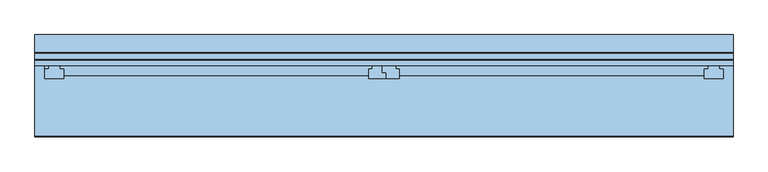
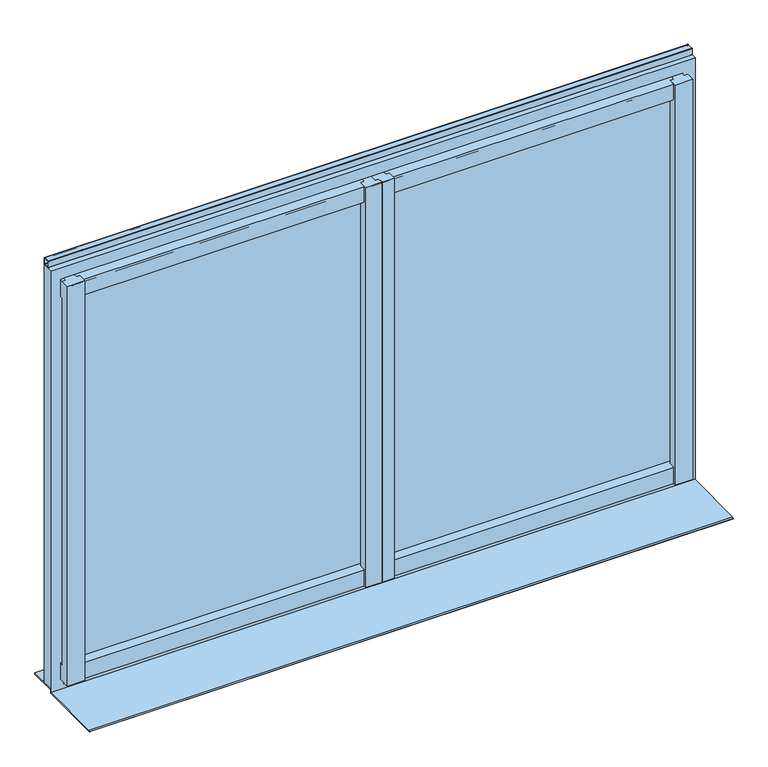
"""IFC4 building model written with IfcOpenShell, lengths in millimetres: window geometry."""

from ifc_helpers import new_model, si_unit, point, frame, frame_2d, origin, place, context, project, spatial, polyline, circle_curve, trimmed, segment, composite_curve, outline, extrude, faceted_brep, source, transform, mapped, element, save


def window_bdcc389a(model_context):
    return source(origin(), model_context, "Body", "SolidModel", [
        extrude(outline(composite_curve([segment(polyline([(-4968.9639151, 5209.32), (-4950.9639151, 5209.32)]), True, "CONTINUOUS"), segment(trimmed(circle_curve(frame_2d((-4950.9639151, 5208.32)), 1.0), [point((-4950.9639151, 5209.32))], [point((-4949.9639151, 5208.32))], False, "CARTESIAN"), True, "CONTINUOUS"), segment(polyline([(-4949.9639151, 5208.32), (-4949.9639151, 5190.32)]), True, "CONTINUOUS"), segment(trimmed(circle_curve(frame_2d((-4950.9639151, 5190.32)), 1.0), [point((-4949.9639151, 5190.32))], [point((-4950.9639151, 5189.32))], False, "CARTESIAN"), True, "CONTINUOUS"), segment(polyline([(-4950.9639151, 5189.32), (-4968.9639151, 5189.32)]), True, "CONTINUOUS"), segment(trimmed(circle_curve(frame_2d((-4968.9639151, 5190.32)), 1.0), [point((-4968.9639151, 5189.32))], [point((-4969.9639151, 5190.32))], False, "CARTESIAN"), True, "CONTINUOUS"), segment(polyline([(-4969.9639151, 5190.32), (-4969.9639151, 5208.32)]), True, "CONTINUOUS"), segment(trimmed(circle_curve(frame_2d((-4968.9639151, 5208.32)), 1.0), [point((-4969.9639151, 5208.32))], [point((-4968.9639151, 5209.32))], False, "CARTESIAN"), True, "CONTINUOUS")], self_intersect=False), holes=[composite_curve([segment(trimmed(circle_curve(frame_2d((-4966.9639151, 5206.32)), 1.0), [point((-4966.9639151, 5207.32))], [point((-4967.9639151, 5206.32))], True, "CARTESIAN"), True, "CONTINUOUS"), segment(polyline([(-4967.9639151, 5206.32), (-4967.9639151, 5192.32)]), True, "CONTINUOUS"), segment(trimmed(circle_curve(frame_2d((-4966.9639151, 5192.32)), 1.0), [point((-4967.9639151, 5192.32))], [point((-4966.9639151, 5191.32))], True, "CARTESIAN"), True, "CONTINUOUS"), segment(polyline([(-4966.9639151, 5191.32), (-4952.9639151, 5191.32)]), True, "CONTINUOUS"), segment(trimmed(circle_curve(frame_2d((-4952.9639151, 5192.32)), 1.0), [point((-4952.9639151, 5191.32))], [point((-4951.9639151, 5192.32))], True, "CARTESIAN"), True, "CONTINUOUS"), segment(polyline([(-4951.9639151, 5192.32), (-4951.9639151, 5206.32)]), True, "CONTINUOUS"), segment(trimmed(circle_curve(frame_2d((-4952.9639151, 5206.32)), 1.0), [point((-4951.9639151, 5206.32))], [point((-4952.9639151, 5207.32))], True, "CARTESIAN"), True, "CONTINUOUS"), segment(polyline([(-4952.9639151, 5207.32), (-4966.9639151, 5207.32)]), True, "CONTINUOUS")], self_intersect=False)]), frame((-8418.7514271, 0.0, 0.0), z_axis=(1.0, 0.0, 0.0), x_axis=(0.0, 1.0, 0.0)), (0.0, 0.0, 1.0), 1840.0),
        faceted_brep([(-8392.7514271, -4969.9639151, 5164.32), (-8392.7514271, -4980.9639151, 5164.32), (-6614.7514271, -4980.9639151, 5164.32), (-6614.7514271, -4969.9639151, 5164.32), (-8392.7514271, -4980.9639151, 5154.32), (-8382.7514271, -4980.9639151, 5154.32), (-8352.7514271, -4980.9639151, 5154.32), (-7529.2514271, -4980.9639151, 5154.32), (-7504.2514271, -4980.9639151, 5154.32), (-7503.2514271, -4980.9639151, 5154.32), (-7468.2514271, -4980.9639151, 5154.32), (-6644.7514271, -4980.9639151, 5154.32), (-6614.7514271, -4980.9639151, 5154.32), (-8392.7514271, -4993.9639151, 5152.9751724), (-8382.7514271, -4993.9639151, 5152.9751724), (-8352.7514271, -4993.9381503, 5152.9778377), (-8342.7514271, -4993.9381503, 5152.9778377), (-8342.7514271, -5009.9639151, 5151.32), (-7539.2514271, -5009.9639151, 5151.32), (-7539.2514271, -4993.9381503, 5152.9778377), (-7529.2514271, -4993.9381503, 5152.9778377), (-7504.2514271, -5003.9381503, 5151.943355), (-7494.2514271, -5003.9381503, 5151.943355), (-7494.2514271, -5009.9639151, 5151.32), (-7493.2514271, -5009.9639151, 5151.32), (-7493.2514271, -5002.9123855, 5152.0494686), (-7503.2514271, -5002.9123855, 5152.0494686), (-7468.2514271, -4993.9381503, 5152.9778377), (-7458.2514271, -4993.9381503, 5152.9778377), (-7458.2514271, -5009.9639151, 5151.32), (-6654.7514271, -5009.9639151, 5151.32), (-6654.7514271, -4993.9381503, 5152.9778377), (-6644.7514271, -4993.9381503, 5152.9778377), (-7458.2514271, -5009.9639151, 5104.32), (-6654.7514271, -5009.9639151, 5104.32), (-7494.2514271, -5009.9639151, 5104.32), (-7493.2514271, -5009.9639151, 5104.32), (-8342.7514271, -5009.9639151, 5104.32), (-7539.2514271, -5009.9639151, 5104.32), (-8392.7514271, -4993.9639151, 5104.32), (-8392.7514271, -4983.9639151, 5104.32), (-8382.7514271, -4983.9639151, 5104.32), (-8382.7514271, -4993.9639151, 5104.32), (-7458.2514271, -4993.9381503, 5104.32), (-7468.2514271, -4993.9381503, 5104.32), (-7468.2514271, -4983.9639151, 5104.32), (-6644.7514271, -4983.9639151, 5104.32), (-6644.7514271, -4993.9381503, 5104.32), (-6654.7514271, -4993.9381503, 5104.32), (-7494.2514271, -5003.9381503, 5104.32), (-7504.2514271, -5003.9381503, 5104.32), (-7504.2514271, -4983.9639151, 5104.32), (-7503.2514271, -4983.9639151, 5104.32), (-7503.2514271, -5002.9123855, 5104.32), (-7493.2514271, -5002.9123855, 5104.32), (-8342.7514271, -4993.9381503, 5104.32), (-8352.7514271, -4993.9381503, 5104.32), (-8352.7514271, -4983.9639151, 5104.32), (-7529.2514271, -4983.9639151, 5104.32), (-7529.2514271, -4993.9381503, 5104.32), (-7539.2514271, -4993.9381503, 5104.32), (-8392.7514271, -4983.9639151, 5114.32), (-8382.7514271, -4983.9639151, 5114.32), (-7468.2514271, -4983.9639151, 5114.32), (-6644.7514271, -4983.9639151, 5114.32), (-7504.2514271, -4983.9639151, 5114.32), (-7503.2514271, -4983.9639151, 5114.32), (-8352.7514271, -4983.9639151, 5114.32), (-7529.2514271, -4983.9639151, 5114.32), (-8392.7514271, -4969.9639151, 5114.32), (-6614.7514271, -4969.9639151, 5114.32), (-6614.7514271, -4978.9639151, 5114.32), (-6644.7514271, -4978.9639151, 5114.32), (-7468.2514271, -4978.9639151, 5114.32), (-7503.2514271, -4978.9639151, 5114.32), (-7504.2514271, -4978.9639151, 5114.32), (-7529.2514271, -4978.9639151, 5114.32), (-8352.7514271, -4978.9639151, 5114.32), (-8382.7514271, -4978.9639151, 5114.32), (-8392.7514271, -4983.9639151, 3994.7393506), (-8392.7514271, -4993.9639151, 3993.9701198), (-8382.7514271, -4993.9639151, 3993.9701198), (-8382.7514271, -4983.9639151, 3994.7393506), (-6644.7514271, -4983.9639151, 3994.7393506), (-7468.2514271, -4983.9639151, 3994.7393506), (-7468.2514271, -4993.9381503, 3993.9721017), (-7458.2514271, -4993.9381503, 3993.9721017), (-7458.2514271, -5009.9639151, 3992.7393506), (-6654.7514271, -5009.9639151, 3992.7393506), (-6654.7514271, -4993.9381503, 3993.9721017), (-6644.7514271, -4993.9381503, 3993.9721017), (-7503.2514271, -4983.9639151, 3994.7393506), (-7504.2514271, -4983.9639151, 3994.7393506), (-7504.2514271, -5003.9381503, 3993.2028709), (-7494.2514271, -5003.9381503, 3993.2028709), (-7494.2514271, -5009.9639151, 3992.7393506), (-7493.2514271, -5009.9639151, 3992.7393506), (-7493.2514271, -5002.9123855, 3993.2817759), (-7503.2514271, -5002.9123855, 3993.2817759), (-7529.2514271, -4983.9639151, 3994.7393506), (-8352.7514271, -4983.9639151, 3994.7393506), (-8352.7514271, -4993.9381503, 3993.9721017), (-8342.7514271, -4993.9381503, 3993.9721017), (-8342.7514271, -5009.9639151, 3992.7393506), (-7539.2514271, -5009.9639151, 3992.7393506), (-7539.2514271, -4993.9381503, 3993.9721017), (-7529.2514271, -4993.9381503, 3993.9721017), (-7458.2514271, -5009.9639151, 3944.7393506), (-6654.7514271, -5009.9639151, 3944.7393506), (-7494.2514271, -5009.9639151, 3944.7393506), (-7493.2514271, -5009.9639151, 3944.7393506), (-8342.7514271, -5009.9639151, 3944.7393506), (-7539.2514271, -5009.9639151, 3944.7393506), (-8392.7514271, -4984.9639151, 3944.7393506), (-8392.7514271, -4984.9639151, 3954.7393506), (-8382.7514271, -4984.9639151, 3954.7393506), (-8382.7514271, -4984.9639151, 3944.7393506), (-7529.2514271, -4984.9639151, 3944.7393506), (-8352.7514271, -4984.9639151, 3944.7393506), (-8352.7514271, -4984.9639151, 3954.7393506), (-7529.2514271, -4984.9639151, 3954.7393506), (-7503.2514271, -4984.9639151, 3944.7393506), (-7504.2514271, -4984.9639151, 3944.7393506), (-7504.2514271, -4984.9639151, 3954.7393506), (-7503.2514271, -4984.9639151, 3954.7393506), (-6644.7514271, -4984.9639151, 3944.7393506), (-7468.2514271, -4984.9639151, 3944.7393506), (-7468.2514271, -4984.9639151, 3954.7393506), (-6644.7514271, -4984.9639151, 3954.7393506), (-8392.7514271, -4969.9639151, 3954.7393506), (-6614.7514271, -4969.9639151, 3954.7393506), (-6614.7514271, -4978.9639151, 3954.7393506), (-6644.7514271, -4978.9639151, 3954.7393506), (-7468.2514271, -4978.9639151, 3954.7393506), (-7503.2514271, -4978.9639151, 3954.7393506), (-7504.2514271, -4978.9639151, 3954.7393506), (-7529.2514271, -4978.9639151, 3954.7393506), (-8352.7514271, -4978.9639151, 3954.7393506), (-8382.7514271, -4978.9639151, 3954.7393506), (-8392.7514271, -4969.9639151, 3984.7393506), (-6614.7514271, -4969.9639151, 3984.7393506), (-8392.7514271, -4983.9639151, 3984.7393506), (-8382.7514271, -4983.9639151, 3984.7393506), (-8382.7514271, -4978.9639151, 3984.7393506), (-8352.7514271, -4978.9639151, 3984.7393506), (-8352.7514271, -4983.9639151, 3984.7393506), (-7529.2514271, -4983.9639151, 3984.7393506), (-7529.2514271, -4978.9639151, 3984.7393506), (-7504.2514271, -4978.9639151, 3984.7393506), (-7504.2514271, -4983.9639151, 3984.7393506), (-7503.2514271, -4983.9639151, 3984.7393506), (-7503.2514271, -4978.9639151, 3984.7393506), (-7468.2514271, -4978.9639151, 3984.7393506), (-7468.2514271, -4983.9639151, 3984.7393506), (-6644.7514271, -4983.9639151, 3984.7393506), (-6644.7514271, -4978.9639151, 3984.7393506), (-6614.7514271, -4978.9639151, 3984.7393506), (-6604.7514271, -4993.9639151, 5154.32), (-6614.7514271, -4993.9639151, 5154.32), (-6644.7514271, -4993.9381503, 5154.32), (-6654.7514271, -4993.9381503, 5154.32), (-6654.7514271, -5018.9639151, 5154.32), (-6604.7514271, -5018.9639151, 5154.32), (-7503.2514271, -5002.9123855, 5154.32), (-7493.2514271, -5002.9123855, 5154.32), (-7493.2514271, -5018.9639151, 5154.32), (-7458.2514271, -5018.9639151, 5154.32), (-7458.2514271, -4993.9381503, 5154.32), (-7468.2514271, -4993.9381503, 5154.32), (-7494.2514271, -5018.9639151, 5154.32), (-7494.2514271, -5003.9381503, 5154.32), (-7504.2514271, -5003.9381503, 5154.32), (-7529.2514271, -4993.9381503, 5154.32), (-7539.2514271, -4993.9381503, 5154.32), (-7539.2514271, -5018.9639151, 5154.32), (-8392.7514271, -4993.9639151, 5154.32), (-8392.7514271, -5018.9639151, 5154.32), (-8342.7514271, -5018.9639151, 5154.32), (-8342.7514271, -4993.9381503, 5154.32), (-8352.7514271, -4993.9381503, 5154.32), (-8382.7514271, -4993.9639151, 5154.32), (-6604.7514271, -4993.9639151, 3944.7393506), (-6604.7514271, -5018.9639151, 3944.7393506), (-6654.7514271, -5018.9639151, 3944.7393506), (-7458.2514271, -5018.9639151, 3944.7393506), (-7493.2514271, -5018.9639151, 3944.7393506), (-7494.2514271, -5018.9639151, 3944.7393506), (-7539.2514271, -5018.9639151, 3944.7393506), (-8342.7514271, -5018.9639151, 3944.7393506), (-8392.7514271, -5018.9639151, 3944.7393506), (-8382.7514271, -4978.9639151, 3944.7393506), (-8352.7514271, -4978.9639151, 3944.7393506), (-7529.2514271, -4978.9639151, 3944.7393506), (-7504.2514271, -4978.9639151, 3944.7393506), (-7503.2514271, -4978.9639151, 3944.7393506), (-7468.2514271, -4978.9639151, 3944.7393506), (-6644.7514271, -4978.9639151, 3944.7393506), (-6614.7514271, -4978.9639151, 3944.7393506), (-6614.7514271, -4993.9639151, 3944.7393506)], [[[0, 1, 2, 3]], [[1, 4, 5, 6, 7, 8, 9, 10, 11, 12, 2]], [[5, 4, 13, 14]], [[7, 6, 15, 16, 17, 18, 19, 20]], [[9, 8, 21, 22, 23, 24, 25, 26]], [[11, 10, 27, 28, 29, 30, 31, 32]], [[30, 29, 33, 34]], [[24, 23, 35, 36]], [[18, 17, 37, 38]], [[39, 40, 41, 42]], [[34, 33, 43, 44, 45, 46, 47, 48]], [[36, 35, 49, 50, 51, 52, 53, 54]], [[38, 37, 55, 56, 57, 58, 59, 60]], [[40, 61, 62, 41]], [[46, 45, 63, 64]], [[52, 51, 65, 66]], [[58, 57, 67, 68]], [[61, 69, 70, 71, 72, 64, 63, 73, 74, 66, 65, 75, 76, 68, 67, 77, 78, 62]], [[69, 0, 3, 70]], [[79, 80, 81, 82]], [[83, 84, 85, 86, 87, 88, 89, 90]], [[91, 92, 93, 94, 95, 96, 97, 98]], [[99, 100, 101, 102, 103, 104, 105, 106]], [[107, 108, 88, 87]], [[109, 110, 96, 95]], [[111, 112, 104, 103]], [[113, 114, 115, 116]], [[117, 118, 119, 120]], [[121, 122, 123, 124]], [[125, 126, 127, 128]], [[114, 129, 130, 131, 132, 128, 127, 133, 134, 124, 123, 135, 136, 120, 119, 137, 138, 115]], [[129, 139, 140, 130]], [[139, 141, 142, 143, 144, 145, 146, 147, 148, 149, 150, 151, 152, 153, 154, 155, 156, 140]], [[141, 79, 82, 142]], [[84, 83, 154, 153]], [[92, 91, 150, 149]], [[100, 99, 146, 145]], [[157, 158, 12, 11, 159, 160, 161, 162]], [[163, 164, 165, 166, 167, 168, 10, 9]], [[169, 170, 171, 8, 7, 172, 173, 174]], [[175, 176, 177, 178, 179, 6, 5, 180]], [[181, 182, 183, 108, 107, 184, 185, 110, 109, 186, 187, 112, 111, 188, 189, 113, 116, 190, 191, 118, 117, 192, 193, 122, 121, 194, 195, 126, 125, 196, 197, 198]], [[198, 158, 157, 181]], [[12, 158, 198, 197, 131, 130, 140, 156, 71, 70, 3, 2]], [[197, 196, 132, 131]], [[71, 156, 155, 72]], [[159, 11, 32]], [[196, 125, 128, 132]], [[72, 155, 154, 83, 90, 47, 46, 64]], [[160, 159, 32, 31]], [[47, 90, 89, 48]], [[161, 160, 31, 30, 34, 48, 89, 88, 108, 183]], [[162, 161, 183, 182]], [[157, 162, 182, 181]], [[195, 194, 134, 133]], [[73, 152, 151, 74]], [[163, 9, 26]], [[194, 121, 124, 134]], [[74, 151, 150, 91, 98, 53, 52, 66]], [[164, 163, 26, 25]], [[53, 98, 97, 54]], [[165, 164, 25, 24, 36, 54, 97, 96, 110, 185]], [[166, 165, 185, 184]], [[167, 166, 184, 107, 87, 86, 43, 33, 29, 28]], [[168, 167, 28, 27]], [[43, 86, 85, 44]], [[10, 168, 27]], [[126, 195, 133, 127]], [[152, 73, 63, 45, 44, 85, 84, 153]], [[170, 169, 186, 109, 95, 94, 49, 35, 23, 22]], [[171, 170, 22, 21]], [[49, 94, 93, 50]], [[8, 171, 21]], [[122, 193, 135, 123]], [[50, 93, 92, 149, 148, 75, 65, 51]], [[193, 192, 136, 135]], [[75, 148, 147, 76]], [[172, 7, 20]], [[192, 117, 120, 136]], [[76, 147, 146, 99, 106, 59, 58, 68]], [[173, 172, 20, 19]], [[59, 106, 105, 60]], [[174, 173, 19, 18, 38, 60, 105, 104, 112, 187]], [[169, 174, 187, 186]], [[176, 175, 13, 4, 1, 0, 69, 61, 40, 39, 80, 79, 141, 139, 129, 114, 113, 189]], [[177, 176, 189, 188]], [[178, 177, 188, 111, 103, 102, 55, 37, 17, 16]], [[179, 178, 16, 15]], [[55, 102, 101, 56]], [[6, 179, 15]], [[118, 191, 137, 119]], [[56, 101, 100, 145, 144, 77, 67, 57]], [[191, 190, 138, 137]], [[77, 144, 143, 78]], [[180, 5, 14]], [[190, 116, 115, 138]], [[78, 143, 142, 82, 81, 42, 41, 62]], [[175, 180, 14, 13]], [[80, 39, 42, 81]]]),
        faceted_brep([(-6613.7514271, -4984.4639151, 5154.82), (-8383.7514271, -4984.4639151, 5154.82), (-8383.7514271, -4981.9639151, 5154.82), (-8415.7514271, -4981.9639151, 5154.82), (-8415.7514271, -4981.4639151, 5154.82), (-6581.7514271, -4981.4639151, 5154.82), (-6581.7514271, -4981.9639151, 5154.82), (-6613.7514271, -4981.9639151, 5154.82), (-8415.7514271, -4981.4639151, 5186.32), (-6581.7514271, -4981.4639151, 5186.32), (-8415.7514271, -4949.9639151, 5186.32), (-6581.7514271, -4949.9639151, 5186.32), (-6578.7514271, -4949.9639151, 5189.32), (-8418.7514271, -4949.9639151, 5189.32), (-8418.7514271, -4984.4639151, 5189.32), (-6578.7514271, -4984.4639151, 5189.32), (-8383.7514271, -4984.4639151, 3927.7393506), (-8383.7514271, -4981.9639151, 3927.7393506), (-8415.7514271, -4981.9639151, 3927.7393506), (-8415.7514271, -4974.9639151, 3954.2393506), (-8415.7514271, -4952.9639151, 3954.2393506), (-8415.7514271, -4952.9639151, 3959.2393506), (-8415.7514271, -4949.9639151, 3959.2393506), (-8415.7514271, -4952.9639151, 3927.7393506), (-8415.7514271, -4952.9639151, 3951.2393506), (-8415.7514271, -4974.9639151, 3951.2393506), (-6581.7514271, -4952.9639151, 3954.2393506), (-6581.7514271, -4974.9639151, 3954.2393506), (-6581.7514271, -4974.9639151, 3951.2393506), (-6581.7514271, -4952.9639151, 3951.2393506), (-6581.7514271, -4952.9639151, 3927.7393506), (-6581.7514271, -4981.9639151, 3927.7393506), (-6581.7514271, -4949.9639151, 3959.2393506), (-6581.7514271, -4952.9639151, 3959.2393506), (-6613.7514271, -4981.9639151, 3927.7393506), (-6613.7514271, -4984.4639151, 3927.7393506), (-8418.7514271, -4949.9639151, 3924.5631649), (-8418.7514271, -4981.4639151, 3924.5631649), (-8418.7514271, -4981.4639151, 3915.2207232), (-8418.7514271, -4984.4639151, 3915.1907232), (-6578.7514271, -4984.4639151, 3915.1907232), (-6578.7514271, -4981.4639151, 3915.2207232), (-6578.7514271, -4981.4639151, 3924.5631649), (-6578.7514271, -4949.9639151, 3924.5631649)], [[[0, 1, 2, 3, 4, 5, 6, 7]], [[5, 4, 8, 9]], [[10, 11, 9, 8]], [[12, 13, 14, 15]], [[16, 17, 2, 1]], [[17, 18, 3, 2]], [[19, 20, 21, 22, 10, 8, 4, 3, 18, 23, 24, 25]], [[26, 27, 28, 29, 30, 31, 6, 5, 9, 11, 32, 33]], [[31, 34, 7, 6]], [[34, 35, 0, 7]], [[13, 36, 37, 38, 39, 14]], [[15, 40, 41, 42, 43, 12]], [[26, 20, 19, 27]], [[27, 19, 25, 28]], [[28, 25, 24, 29]], [[29, 24, 23, 30]], [[30, 23, 18, 17, 16, 35, 34, 31]], [[39, 40, 15, 14], [16, 1, 0, 35]], [[39, 38, 41, 40]], [[38, 37, 42, 41]], [[37, 36, 43, 42]], [[43, 36, 13, 12], [32, 11, 10, 22]], [[32, 22, 21, 33]], [[20, 26, 33, 21]]]),
        extrude(outline(composite_curve([segment(polyline([(-4979.9639151, 3984.7393506), (-4979.9639151, 3994.7393506), (-4971.9629757, 3994.7393506)]), True, "CONTINUOUS"), segment(trimmed(circle_curve(frame_2d((-4971.9629757, 3992.7393506)), 2.0), [point((-4971.9629757, 3994.7393506))], [point((-4969.9639151, 3992.6780575))], False, "CARTESIAN"), True, "CONTINUOUS"), segment(polyline([(-4969.9639151, 3992.6780575), (-4969.9639151, 3986.6780575)]), True, "CONTINUOUS"), segment(trimmed(circle_curve(frame_2d((-4971.9629757, 3986.7393506)), 2.0), [point((-4969.9639151, 3986.6780575))], [point((-4971.9629757, 3984.7393506))], False, "CARTESIAN"), True, "CONTINUOUS"), segment(polyline([(-4971.9629757, 3984.7393506), (-4979.9639151, 3984.7393506)]), True, "CONTINUOUS")], self_intersect=False)), frame((-8352.7514271, 0.0, 0.0), z_axis=(1.0, 0.0, 0.0), x_axis=(0.0, 1.0, 0.0)), (0.0, 0.0, 1.0), 1708.0),
        extrude(outline(composite_curve([segment(polyline([(-4979.9639151, 5114.32), (-4971.9629757, 5114.32)]), True, "CONTINUOUS"), segment(trimmed(circle_curve(frame_2d((-4971.9629757, 5112.32)), 2.0), [point((-4971.9629757, 5114.32))], [point((-4969.9639151, 5112.3812931))], False, "CARTESIAN"), True, "CONTINUOUS"), segment(polyline([(-4969.9639151, 5112.3812931), (-4969.9639151, 5106.3812931)]), True, "CONTINUOUS"), segment(trimmed(circle_curve(frame_2d((-4971.9629757, 5106.32)), 2.0), [point((-4969.9639151, 5106.3812931))], [point((-4971.9629757, 5104.32))], False, "CARTESIAN"), True, "CONTINUOUS"), segment(polyline([(-4971.9629757, 5104.32), (-4979.9639151, 5104.32), (-4979.9639151, 5114.32)]), True, "CONTINUOUS")], self_intersect=False)), frame((-8352.7514271, 0.0, 0.0), z_axis=(1.0, 0.0, 0.0), x_axis=(0.0, 1.0, 0.0)), (0.0, 0.0, 1.0), 1708.0),
        extrude(outline(polyline([(-6578.7514271, -4902.9639151), (-6578.7514271, -4980.9639151), (-8418.7514271, -4980.9639151), (-8418.7514271, -4902.9639151), (-6578.7514271, -4902.9639151)])), frame((0.0, 0.0, 3919.5659965), z_axis=(0.0, 0.0, 1.0), x_axis=(1.0, 0.0, 0.0)), (0.0, 0.0, 1.0), 4.9971684),
        extrude(outline(composite_curve([segment(polyline([(-4981.4639151, 3914.99215), (-4981.4639151, 3909.32), (-5172.9639151, 3909.32), (-5172.9639151, 3910.107)]), True, "CONTINUOUS"), segment(trimmed(circle_curve(frame_2d((-5169.9639151, 3910.107)), 3.0), [point((-5172.9639151, 3910.107))], [point((-5169.9939136, 3913.10685))], False, "CARTESIAN"), True, "CONTINUOUS"), segment(polyline([(-5169.9939136, 3913.10685), (-4981.4639151, 3914.99215)]), True, "CONTINUOUS")], self_intersect=False)), frame((-8418.7514271, 0.0, 0.0), z_axis=(1.0, 0.0, 0.0), x_axis=(0.0, 1.0, 0.0)), (0.0, 0.0, 1.0), 1840.0),
        extrude(outline(polyline([(-6614.7514271, -4979.9639151), (-6614.7514271, -4983.9639151), (-8382.7514271, -4983.9639151), (-8382.7514271, -4979.9639151), (-6614.7514271, -4979.9639151)])), frame((0.0, 0.0, 3986.7393506), z_axis=(0.0, 0.0, 1.0), x_axis=(1.0, 0.0, 0.0)), (0.0, 0.0, 1.0), 1125.5806494),
    ])


if __name__ == "__main__":
    model = new_model("IFC4")
    model_context = context("Model", 3, world=origin())
    ifc_project = project(units=[si_unit("LENGTHUNIT", "METRE", prefix="MILLI")], contexts=[model_context])
    site = spatial("IfcSite", under=ifc_project)
    building = spatial("IfcBuilding", under=site)
    placement = place(None, origin())
    window_shape = window_bdcc389a(model_context)
    element("IfcWindow", 1, at=placement, inside=building, context=model_context, shape_type="MappedRepresentation", body=[
        mapped(window_shape, transform((0.0, 0.0, 0.0), x_axis=(1.0, 0.0, 0.0), y_axis=(0.0, 1.0, 0.0), z_axis=(0.0, 0.0, 1.0))),
    ])
    save(model, "model.ifc")
